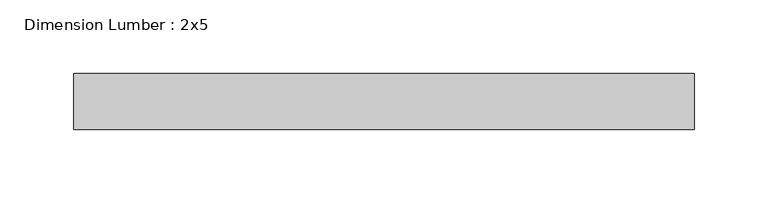
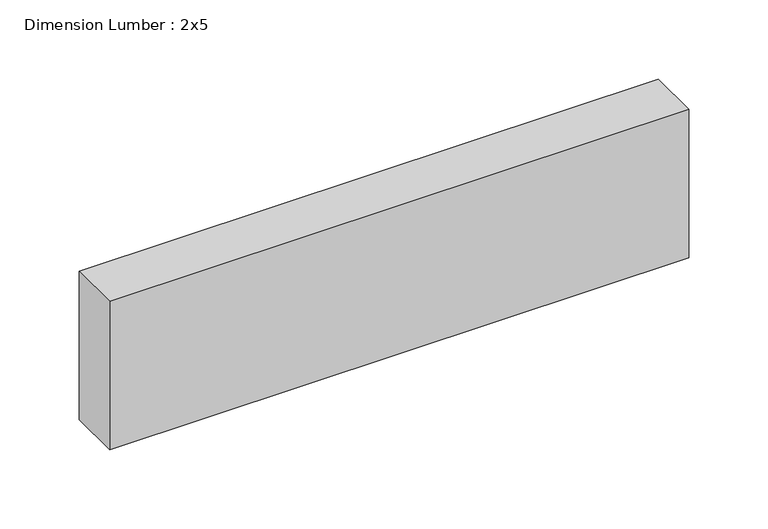
"""IFC4 building model written with IfcOpenShell, lengths in millimetres: beam geometry, Dimension Lumber : 2x5."""

import ifcopenshell
import ifcopenshell.guid

model = None  # the IFC model being written
_history = None  # IfcOwnerHistory: only IFC2X3 demands one
_inside = {}  # id of a spatial element -> (the spatial element, [elements in it])
_under = {}  # id of a project, library or spatial element -> (it, [spatial elements below it])
_declared = {}  # id of a project -> (the project, [libraries it declares])
_typed = {}  # id of a type object -> (the type object, [elements of that type])
_made_of = {}  # id of a material, layer set ... -> (it, [elements and type objects made of it])


def new_model(schema):
    """Start an empty IFC model of exactly this schema.

    Asked for "IFC4X3", IfcOpenShell would pick the latest addendum, in which some entities
    have other attributes; the version numbers below select the first issue.
    IFC2X3 requires an IfcOwnerHistory on every rooted entity: one is made here for all.
    """
    global model, _history
    if schema == "IFC4X3":
        model = ifcopenshell.file(schema_version=(4, 3, 0, 0))
    else:
        model = ifcopenshell.file(schema=schema)
    _inside.clear()
    _under.clear()
    _declared.clear()
    _typed.clear()
    _made_of.clear()
    _history = None
    if model.schema == "IFC2X3":
        org = make("IfcOrganization", Name="unknown")
        user = make(
            "IfcPersonAndOrganization",
            ThePerson=make("IfcPerson", FamilyName="unknown"),
            TheOrganization=org,
        )
        app = make(
            "IfcApplication",
            ApplicationDeveloper=org,
            Version="unknown",
            ApplicationFullName="unknown",
            ApplicationIdentifier="unknown",
        )
        _history = make(
            "IfcOwnerHistory",
            OwningUser=user,
            OwningApplication=app,
            ChangeAction="ADDED",
            CreationDate=0,
        )
    return model


def make(cls, **values):
    """One entity of the class cls with the attributes given. An attribute that is None is left unset."""
    return model.create_entity(
        cls, **{name: value for name, value in values.items() if value is not None}
    )


def rooted(cls, **values):
    """An entity with a GlobalId (a new one), such as an element, a storey or a relation."""
    return make(cls, GlobalId=ifcopenshell.guid.new(), OwnerHistory=_history, **values)


def si_unit(unit_type, name, prefix=None):
    """IfcSIUnit, for example si_unit("LENGTHUNIT", "METRE", prefix="MILLI")."""
    return make("IfcSIUnit", UnitType=unit_type, Prefix=prefix, Name=name)


def assignment(units):
    """IfcUnitAssignment: the units of a project."""
    return None if units is None else make("IfcUnitAssignment", Units=units)


def point(xyz):
    """IfcCartesianPoint."""
    return None if xyz is None else make("IfcCartesianPoint", Coordinates=xyz)


def direction(xyz):
    """IfcDirection."""
    return None if xyz is None else make("IfcDirection", DirectionRatios=xyz)


def frame(location, z_axis=None, x_axis=None):
    """IfcAxis2Placement3D, a coordinate frame: its origin and axes. An axis left out is left unset."""
    return make(
        "IfcAxis2Placement3D",
        Location=point(location),
        Axis=direction(z_axis),
        RefDirection=direction(x_axis),
    )


def origin():
    """The frame at (0, 0, 0) with its axes left unset."""
    return frame((0.0, 0.0, 0.0))


def place(relative_to, where):
    """IfcLocalPlacement: puts the frame where relative to a parent placement (None: the world)."""
    return make(
        "IfcLocalPlacement", PlacementRelTo=relative_to, RelativePlacement=where
    )


def context(
    kind, dimensions, precision=None, world=None, true_north=None, identifier=None
):
    """IfcGeometricRepresentationContext, for example the 3D "Model" context."""
    return make(
        "IfcGeometricRepresentationContext",
        ContextIdentifier=identifier,
        ContextType=kind,
        CoordinateSpaceDimension=dimensions,
        Precision=precision,
        WorldCoordinateSystem=world,
        TrueNorth=true_north,
    )


def project(units=None, contexts=None):
    """IfcProject with its units and contexts."""
    return rooted(
        "IfcProject",
        Name="project",
        RepresentationContexts=contexts,
        UnitsInContext=assignment(units),
    )


def spatial(cls, under=None, at=None, **own):
    """A site, building, storey or space (cls), placed at a placement, below another one or the project."""
    s = rooted(cls, ObjectPlacement=at, **own)
    if under is not None:
        _under.setdefault(under.id(), (under, []))[1].append(s)
    return s


def polyline(points):
    """IfcPolyline through the points."""
    return make("IfcPolyline", Points=[point(p) for p in points])


def outline(outer, holes=None, kind="AREA"):
    """IfcArbitraryClosedProfileDef: a profile drawn as a closed curve; with holes, ...WithVoids."""
    if holes is None:
        return make("IfcArbitraryClosedProfileDef", ProfileType=kind, OuterCurve=outer)
    return make(
        "IfcArbitraryProfileDefWithVoids",
        ProfileType=kind,
        OuterCurve=outer,
        InnerCurves=holes,
    )


def extrude(swept, where, along, depth):
    """IfcExtrudedAreaSolid: the profile swept, set in the frame where, extruded along a direction by depth."""
    return make(
        "IfcExtrudedAreaSolid",
        SweptArea=swept,
        Position=where,
        ExtrudedDirection=direction(along),
        Depth=depth,
    )


def shape(context_of_items, identifier, shape_type, items):
    """IfcShapeRepresentation: the items that make up one representation, for example the "Body"."""
    return make(
        "IfcShapeRepresentation",
        ContextOfItems=context_of_items,
        RepresentationIdentifier=identifier,
        RepresentationType=shape_type,
        Items=items,
    )


def source(mapping_origin, context_of_items, identifier, shape_type, items):
    """IfcRepresentationMap: a shape defined once, which mapped items show again and again."""
    return make(
        "IfcRepresentationMap",
        MappingOrigin=mapping_origin,
        MappedRepresentation=shape(context_of_items, identifier, shape_type, items),
    )


def transform(
    local_origin,
    x_axis=None,
    y_axis=None,
    z_axis=None,
    scale=None,
    scale2=None,
    scale3=None,
    uniform=True,
):
    """IfcCartesianTransformationOperator3D, or its non-uniform kind. x_axis, y_axis, z_axis: its Axis1, 2, 3."""
    if uniform:
        return make(
            "IfcCartesianTransformationOperator3D",
            Axis1=direction(x_axis),
            Axis2=direction(y_axis),
            LocalOrigin=point(local_origin),
            Scale=scale,
            Axis3=direction(z_axis),
        )
    return make(
        "IfcCartesianTransformationOperator3DnonUniform",
        Axis1=direction(x_axis),
        Axis2=direction(y_axis),
        LocalOrigin=point(local_origin),
        Scale=scale,
        Axis3=direction(z_axis),
        Scale2=scale2,
        Scale3=scale3,
    )


def mapped(mapping_source, mapping_target):
    """IfcMappedItem: shows the shape of a source again, moved by a transform."""
    return make(
        "IfcMappedItem", MappingSource=mapping_source, MappingTarget=mapping_target
    )


def made_of(thing, what):
    """Note that an element or type object is made of a material, layer set ...; save() writes the relation."""
    if what is not None:
        _made_of.setdefault(what.id(), (what, []))[1].append(thing)
    return thing


def element(
    cls,
    number,
    at=None,
    inside=None,
    cuts=None,
    type_object=None,
    material=None,
    context=None,
    identifier="Body",
    shape_type=None,
    held_by="IfcProductDefinitionShape",
    body=None,
    shapes=None,
    **own,
):
    """One element of the class cls, such as IfcWall. Its Tag is "e" and its number.

    at: its placement. inside: the storey or other place that contains it. cuts: it is an
    opening in that element (IfcRelVoidsElement). A single representation is given by context,
    identifier, shape_type and body (its items); several are given by shapes. held_by: the class
    of the entity that holds the representations. save() writes the other relations.
    """
    e = rooted(cls, Tag="e%d" % number, ObjectPlacement=at, **own)
    if body is not None:
        shapes = [shape(context, identifier, shape_type, body)]
    if shapes is not None:
        e.Representation = make(held_by, Representations=shapes)
    if inside is not None:
        _inside.setdefault(inside.id(), (inside, []))[1].append(e)
    if cuts is not None:
        rooted(
            "IfcRelVoidsElement", RelatingBuildingElement=cuts, RelatedOpeningElement=e
        )
    if type_object is not None:
        _typed.setdefault(type_object.id(), (type_object, []))[1].append(e)
    return made_of(e, material)


def aggregate(whole, parts):
    """IfcRelAggregates: a whole, such as a stair, and the parts it consists of."""
    return rooted("IfcRelAggregates", RelatingObject=whole, RelatedObjects=parts)


def save(model, path):
    """Write the relations noted so far, then the file.

    IfcRelAggregates (storeys below a building ...), IfcRelContainedInSpatialStructure (elements
    in a storey), IfcRelDefinesByType, IfcRelAssociatesMaterial and IfcRelDeclares: one each for
    every whole, place, type object, material and project.
    """
    for whole, parts in _under.values():
        aggregate(whole, parts)
    for where, things in _inside.values():
        rooted(
            "IfcRelContainedInSpatialStructure",
            RelatedElements=things,
            RelatingStructure=where,
        )
    for kind, things in _typed.values():
        rooted("IfcRelDefinesByType", RelatedObjects=things, RelatingType=kind)
    for what, things in _made_of.values():
        rooted("IfcRelAssociatesMaterial", RelatedObjects=things, RelatingMaterial=what)
    for by, libraries in _declared.values():
        rooted("IfcRelDeclares", RelatingContext=by, RelatedDefinitions=libraries)
    model.write(path)


def dimension_lumber_2x5_c6873ff4(model_context):
    return source(origin(), model_context, "Body", "SweptSolid", [
        extrude(outline(polyline([(212.9425682, 19.05), (212.9425682, -19.05), (-208.5711544, -19.05), (-208.5711544, 19.05), (212.9425682, 19.05)])), frame((0.0, 0.0, -57.15), z_axis=(0.0, 0.0, 1.0), x_axis=(1.0, 0.0, 0.0)), (0.0, 0.0, 1.0), 114.3),
    ])


if __name__ == "__main__":
    model = new_model("IFC4")
    model_context = context("Model", 3, world=origin())
    ifc_project = project(units=[si_unit("LENGTHUNIT", "METRE", prefix="MILLI")], contexts=[model_context])
    site = spatial("IfcSite", under=ifc_project)
    building = spatial("IfcBuilding", under=site)
    placement = place(None, origin())
    dimension_lumber_2x5_shape = dimension_lumber_2x5_c6873ff4(model_context)
    element("IfcBeam", 1, ObjectType="Dimension Lumber : 2x5", at=placement, inside=building, context=model_context, shape_type="MappedRepresentation", body=[
        mapped(dimension_lumber_2x5_shape, transform((0.0, 0.0, 0.0), x_axis=(1.0, 0.0, 0.0), y_axis=(0.0, 1.0, 0.0), z_axis=(0.0, 0.0, 1.0))),
    ])
    save(model, "model.ifc")
